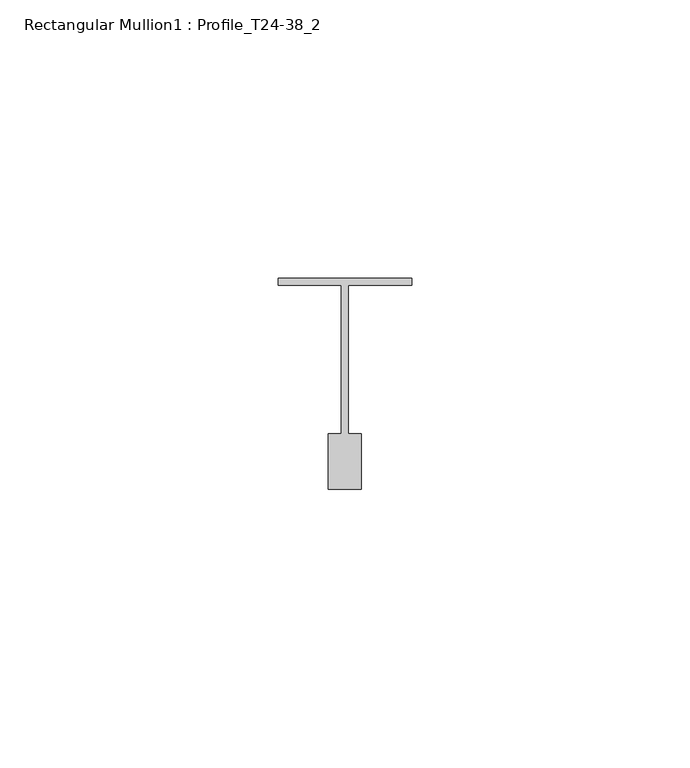
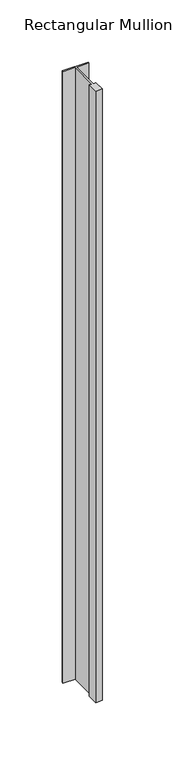
"""IFC4 building model written with IfcOpenShell, lengths in millimetres: member geometry, Rectangular Mullion1 : Profile_T24-38_2."""

from ifc_helpers import new_model, si_unit, frame, origin, place, context, project, spatial, polyline, outline, extrude, source, transform, mapped, element, save


def rectangular_mullion1_profile_t24_38_2_86fd9f68(model_context):
    return source(origin(), model_context, "Body", "SweptSolid", [
        extrude(outline(polyline([(-24.0, -0.5), (0.0, -0.5), (0.0, -1.75), (-11.4, -1.75), (-11.4, -28.5), (-9.0, -28.5), (-9.0, -38.5), (-15.0, -38.5), (-15.0, -28.5), (-12.6, -28.5), (-12.6, -1.75), (-24.0, -1.75), (-24.0, -0.5)])), frame((0.0, 0.0, -600.0000003), z_axis=(0.0, 0.0, 1.0), x_axis=(1.0, 0.0, 0.0)), (0.0, 0.0, 1.0), 600.0000003),
    ])


if __name__ == "__main__":
    model = new_model("IFC4")
    model_context = context("Model", 3, world=origin())
    ifc_project = project(units=[si_unit("LENGTHUNIT", "METRE", prefix="MILLI")], contexts=[model_context])
    site = spatial("IfcSite", under=ifc_project)
    building = spatial("IfcBuilding", under=site)
    placement = place(None, origin())
    rectangular_mullion1_profile_t24_38_2_shape = rectangular_mullion1_profile_t24_38_2_86fd9f68(model_context)
    element("IfcMember", 1, ObjectType="Rectangular Mullion1 : Profile_T24-38_2", at=placement, inside=building, context=model_context, shape_type="MappedRepresentation", body=[
        mapped(rectangular_mullion1_profile_t24_38_2_shape, transform((0.0, 0.0, 0.0), x_axis=(1.0, 0.0, 0.0), y_axis=(0.0, 1.0, 0.0), z_axis=(0.0, 0.0, 1.0))),
    ])
    save(model, "model.ifc")
